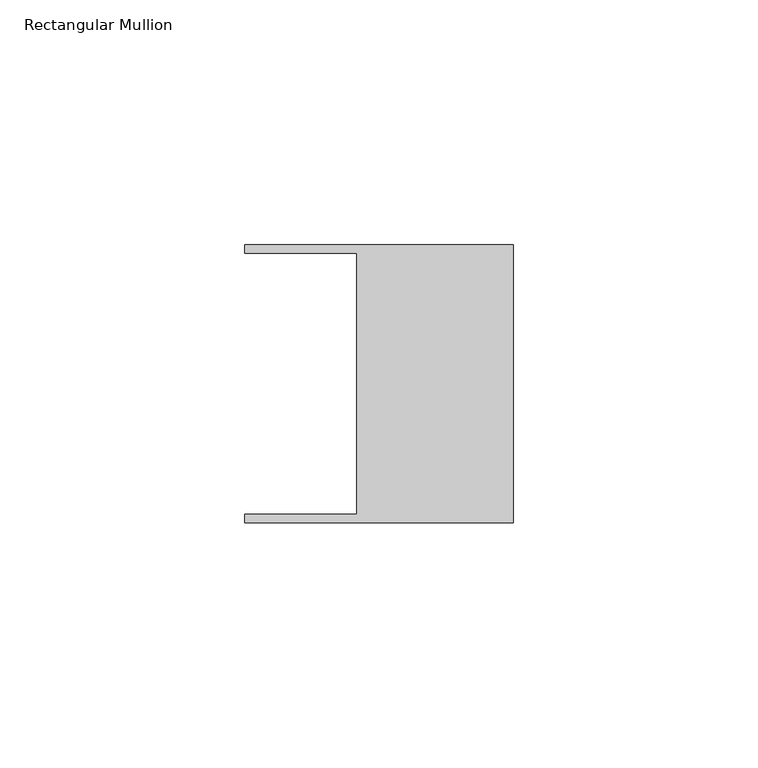
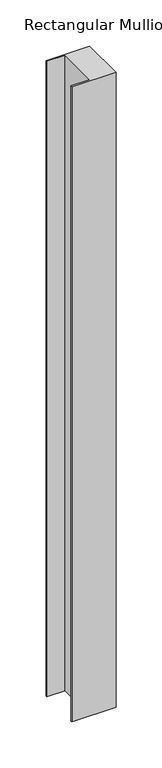
"""IFC4 building model written with IfcOpenShell, lengths in millimetres: member geometry, Rectangular Mullion."""

from ifc_helpers import new_model, si_unit, frame, origin, place, context, project, spatial, polyline, outline, extrude, source, transform, mapped, element, save


def rectangular_mullion_3a2c0ad1(model_context):
    return source(origin(), model_context, "Body", "SweptSolid", [
        extrude(outline(polyline([(-32.004, 26.67), (-54.991, 26.67), (-54.991, 28.448), (0.0, 28.448), (0.0, -28.448), (-54.991, -28.448), (-54.991, -26.67), (-32.004, -26.67), (-32.004, 26.67)])), frame((0.0, 0.0, -841.642463), z_axis=(0.0, 0.0, 1.0), x_axis=(1.0, 0.0, 0.0)), (0.0, 0.0, 1.0), 841.642463),
    ])


if __name__ == "__main__":
    model = new_model("IFC4")
    model_context = context("Model", 3, world=origin())
    ifc_project = project(units=[si_unit("LENGTHUNIT", "METRE", prefix="MILLI")], contexts=[model_context])
    site = spatial("IfcSite", under=ifc_project)
    building = spatial("IfcBuilding", under=site)
    placement = place(None, origin())
    rectangular_mullion_shape = rectangular_mullion_3a2c0ad1(model_context)
    element("IfcMember", 1, ObjectType="Rectangular Mullion", at=placement, inside=building, context=model_context, shape_type="MappedRepresentation", body=[
        mapped(rectangular_mullion_shape, transform((0.0, 0.0, 0.0), x_axis=(1.0, 0.0, 0.0), y_axis=(0.0, 1.0, 0.0), z_axis=(0.0, 0.0, 1.0))),
    ])
    save(model, "model.ifc")
